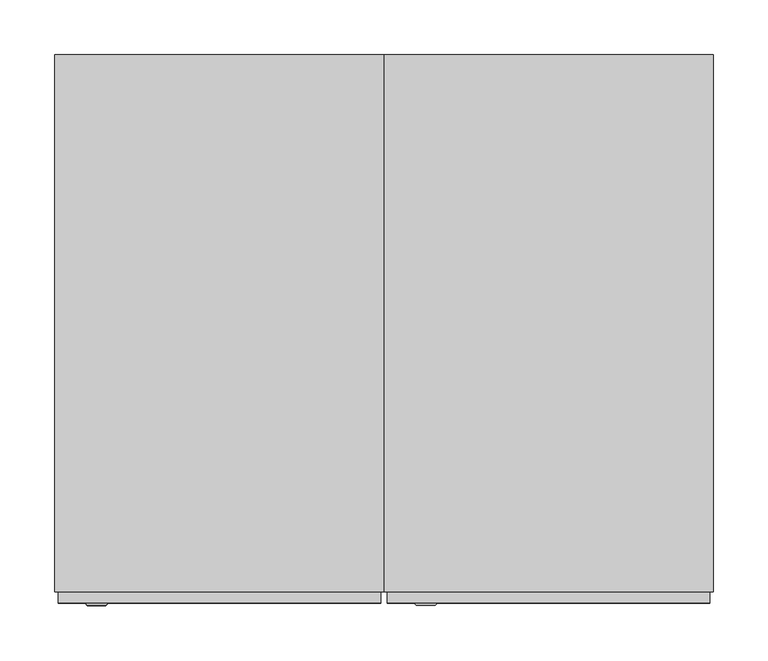
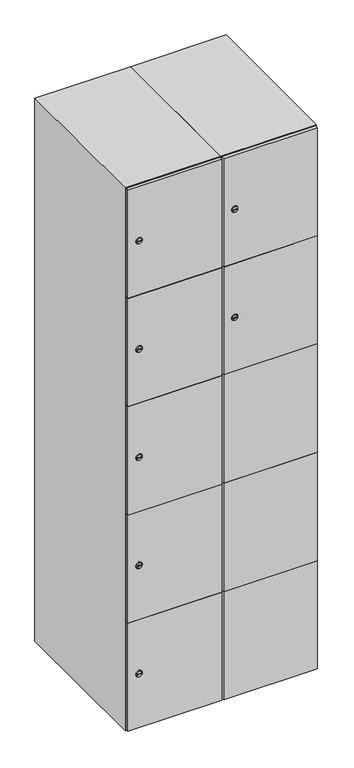
"""IFC4 building model written with IfcOpenShell, lengths in millimetres: furniture geometry."""

from ifc_helpers import new_model, si_unit, point, frame, frame_2d, origin, place, context, project, spatial, polyline, circle_curve, trimmed, segment, composite_curve, outline, extrude, faceted_brep, source, transform, mapped, element, save
from ifc_brep_helpers import plane_surface, revolved_surface, advanced_brep


def furniture_43d8c1ec(model_context):
    return source(origin(), model_context, "Body", "SolidModel", [
        advanced_brep(
        [(146.5, -257.2, 1358.8), (129.5, -257.2, 1358.8), (133.0, -257.2, 1357.55), (133.0, -257.2, 1360.05), (143.0, -257.2, 1360.05), (143.0, -257.2, 1357.55), (148.5, -255.0, 1358.8), (127.5, -255.0, 1358.8), (133.0, -255.0, 1360.05), (133.0, -255.0, 1357.55), (143.0, -255.0, 1357.55), (143.0, -255.0, 1360.05)],
        [
            (0, 1, circle_curve(frame((138.0, -257.2, 1358.8), z_axis=(0.0, -1.0, 0.0), x_axis=(1.0, 0.0, 0.0)), 8.5)),
            (1, 0, circle_curve(frame((138.0, -257.2, 1358.8), z_axis=(0.0, -1.0, 0.0), x_axis=(-1.0, 0.0, 0.0)), 8.5)),
            (2, 3),
            (3, 4),
            (4, 5),
            (5, 2),
            (6, 7, circle_curve(frame((138.0, -255.0, 1358.8), z_axis=(0.0, 1.0, 0.0), x_axis=(-1.0, 0.0, 0.0)), 10.5)),
            (7, 6, circle_curve(frame((138.0, -255.0, 1358.8), z_axis=(0.0, 1.0, 0.0), x_axis=(1.0, 0.0, 0.0)), 10.5)),
            (8, 9),
            (9, 10),
            (10, 11),
            (11, 8),
            (0, 6),
            (7, 1),
            (8, 3),
            (2, 9),
            (11, 4),
            (10, 5),
        ],
        [
            plane_surface(frame((138.0, -257.2, 1358.8), z_axis=(0.0, -1.0, 0.0), x_axis=(0.0, 0.0, 1.0))),
            plane_surface(frame((138.0, -255.0, 1358.8), z_axis=(0.0, 1.0, 0.0), x_axis=(0.0, 0.0, 1.0))),
            revolved_surface(polyline([(146.5, -257.2, 1358.8), (148.5, -255.0, 1358.8)]), (138.0, -266.55, 1358.8), (0.0, 1.0, 0.0)),
            revolved_surface(polyline([(129.5, -257.2, 1358.8), (127.5, -255.0, 1358.8)]), (138.0, -266.55, 1358.8), (0.0, 1.0, 0.0)),
            plane_surface(frame((133.0, -255.0, 1357.55), z_axis=(1.0, 0.0, 0.0), x_axis=(0.0, -1.0, 0.0))),
            plane_surface(frame((133.0, -255.0, 1360.05), z_axis=(0.0, 0.0, -1.0), x_axis=(0.0, -1.0, 0.0))),
            plane_surface(frame((143.0, -255.0, 1360.05), z_axis=(-1.0, 0.0, 0.0), x_axis=(0.0, -1.0, 0.0))),
            plane_surface(frame((143.0, -255.0, 1357.55), z_axis=(0.0, 0.0, 1.0), x_axis=(0.0, -1.0, 0.0))),
        ],
        [
            (0, [[1, 2], [3, 4, 5, 6]]),
            (1, [[7, 8], [9, 10, 11, 12]]),
            (2, [[-1, 13, -8, 14]]),
            (3, [[-2, -14, -7, -13]]),
            (4, [[15, -3, 16, -9]]),
            (5, [[-15, -12, 17, -4]]),
            (6, [[-17, -11, 18, -5]]),
            (7, [[-16, -6, -18, -10]]),
        ],
    ),
        extrude(outline(composite_curve([segment(trimmed(circle_curve(frame_2d((1717.6, 111.2010534)), 7.0), [point((1724.6, 111.2010534))], [point((1710.6, 111.2010534))], False, "CARTESIAN"), True, "CONTINUOUS"), segment(polyline([(1710.6, 111.2010534), (1710.6, 139.2010534)]), True, "CONTINUOUS"), segment(trimmed(circle_curve(frame_2d((1717.6, 139.2010534)), 7.0), [point((1710.6, 139.2010534))], [point((1724.6, 139.2010534))], False, "CARTESIAN"), True, "CONTINUOUS"), segment(polyline([(1724.6, 139.2010534), (1724.6, 111.2010534)]), True, "CONTINUOUS")], self_intersect=False)), frame((0.0, -245.0, 0.0), z_axis=(0.0, 1.0, 0.0), x_axis=(0.0, 0.0, 1.0)), (0.0, 0.0, 1.0), 2.0),
        advanced_brep(
        [(146.5, -257.2, 1717.6), (129.5, -257.2, 1717.6), (133.0, -257.2, 1716.35), (133.0, -257.2, 1718.85), (143.0, -257.2, 1718.85), (143.0, -257.2, 1716.35), (148.5, -255.0, 1717.6), (127.5, -255.0, 1717.6), (133.0, -255.0, 1718.85), (133.0, -255.0, 1716.35), (143.0, -255.0, 1716.35), (143.0, -255.0, 1718.85)],
        [
            (0, 1, circle_curve(frame((138.0, -257.2, 1717.6), z_axis=(0.0, -1.0, 0.0), x_axis=(1.0, 0.0, 0.0)), 8.5)),
            (1, 0, circle_curve(frame((138.0, -257.2, 1717.6), z_axis=(0.0, -1.0, 0.0), x_axis=(-1.0, 0.0, 0.0)), 8.5)),
            (2, 3),
            (3, 4),
            (4, 5),
            (5, 2),
            (6, 7, circle_curve(frame((138.0, -255.0, 1717.6), z_axis=(0.0, 1.0, 0.0), x_axis=(-1.0, 0.0, 0.0)), 10.5)),
            (7, 6, circle_curve(frame((138.0, -255.0, 1717.6), z_axis=(0.0, 1.0, 0.0), x_axis=(1.0, 0.0, 0.0)), 10.5)),
            (8, 9),
            (9, 10),
            (10, 11),
            (11, 8),
            (0, 6),
            (7, 1),
            (8, 3),
            (2, 9),
            (11, 4),
            (10, 5),
        ],
        [
            plane_surface(frame((138.0, -257.2, 1717.6), z_axis=(0.0, -1.0, 0.0), x_axis=(0.0, 0.0, 1.0))),
            plane_surface(frame((138.0, -255.0, 1717.6), z_axis=(0.0, 1.0, 0.0), x_axis=(0.0, 0.0, 1.0))),
            revolved_surface(polyline([(146.5, -257.2, 1717.6), (148.5, -255.0, 1717.6)]), (138.0, -266.55, 1717.6), (0.0, 1.0, 0.0)),
            revolved_surface(polyline([(129.5, -257.2, 1717.6), (127.5, -255.0, 1717.6)]), (138.0, -266.55, 1717.6), (0.0, 1.0, 0.0)),
            plane_surface(frame((133.0, -255.0, 1716.35), z_axis=(1.0, 0.0, 0.0), x_axis=(0.0, -1.0, 0.0))),
            plane_surface(frame((133.0, -255.0, 1718.85), z_axis=(0.0, 0.0, -1.0), x_axis=(0.0, -1.0, 0.0))),
            plane_surface(frame((143.0, -255.0, 1718.85), z_axis=(-1.0, 0.0, 0.0), x_axis=(0.0, -1.0, 0.0))),
            plane_surface(frame((143.0, -255.0, 1716.35), z_axis=(0.0, 0.0, 1.0), x_axis=(0.0, -1.0, 0.0))),
        ],
        [
            (0, [[1, 2], [3, 4, 5, 6]]),
            (1, [[7, 8], [9, 10, 11, 12]]),
            (2, [[-1, 13, -8, 14]]),
            (3, [[-2, -14, -7, -13]]),
            (4, [[15, -3, 16, -9]]),
            (5, [[-15, -12, 17, -4]]),
            (6, [[-17, -11, 18, -5]]),
            (7, [[-16, -6, -18, -10]]),
        ],
    ),
        extrude(outline(polyline([(397.0, -245.0), (397.0, -255.0), (103.0, -255.0), (103.0, -245.0), (397.0, -245.0)])), frame((0.0, 0.0, 820.1), z_axis=(0.0, 0.0, 1.0), x_axis=(1.0, 0.0, 0.0)), (0.0, 0.0, 1.0), 359.8),
        extrude(outline(polyline([(397.0, -245.0), (397.0, -255.0), (103.0, -255.0), (103.0, -245.0), (397.0, -245.0)])), frame((0.0, 0.0, 461.3), z_axis=(0.0, 0.0, 1.0), x_axis=(1.0, 0.0, 0.0)), (0.0, 0.0, 1.0), 359.8),
        extrude(outline(polyline([(397.0, -245.0), (397.0, -255.0), (103.0, -255.0), (103.0, -245.0), (397.0, -245.0)])), frame((0.0, 0.0, 1178.9), z_axis=(0.0, 0.0, 1.0), x_axis=(1.0, 0.0, 0.0)), (0.0, 0.0, 1.0), 358.8),
        extrude(outline(polyline([(103.0, -255.0), (103.0, -245.0), (397.0, -245.0), (397.0, -255.0), (103.0, -255.0)])), frame((0.0, 0.0, 1538.7), z_axis=(0.0, 0.0, 1.0), x_axis=(1.0, 0.0, 0.0)), (0.0, 0.0, 1.0), 358.3),
        extrude(outline(polyline([(397.0, -245.0), (397.0, -255.0), (103.0, -255.0), (103.0, -245.0), (397.0, -245.0)])), frame((0.0, 0.0, 103.0), z_axis=(0.0, 0.0, 1.0), x_axis=(1.0, 0.0, 0.0)), (0.0, 0.0, 1.0), 359.3),
        extrude(outline(polyline([(390.0, 241.0), (390.0, -235.0), (110.0, -235.0), (110.0, 241.0), (390.0, 241.0)])), frame((0.0, 0.0, 1529.0), z_axis=(0.0, 0.0, 1.0), x_axis=(1.0, 0.0, 0.0)), (0.0, 0.0, 1.0), 10.0),
        extrude(outline(polyline([(390.0, 241.0), (390.0, -235.0), (110.0, -235.0), (110.0, 241.0), (390.0, 241.0)])), frame((0.0, 0.0, 1173.0), z_axis=(0.0, 0.0, 1.0), x_axis=(1.0, 0.0, 0.0)), (0.0, 0.0, 1.0), 10.0),
        extrude(outline(polyline([(390.0, 241.0), (390.0, -235.0), (110.0, -235.0), (110.0, 241.0), (390.0, 241.0)])), frame((0.0, 0.0, 817.0), z_axis=(0.0, 0.0, 1.0), x_axis=(1.0, 0.0, 0.0)), (0.0, 0.0, 1.0), 10.0),
        extrude(outline(polyline([(110.0, 241.0), (390.0, 241.0), (390.0, -235.0), (110.0, -235.0), (110.0, 241.0)])), frame((0.0, 0.0, 461.0), z_axis=(0.0, 0.0, 1.0), x_axis=(1.0, 0.0, 0.0)), (0.0, 0.0, 1.0), 10.0),
        faceted_brep([(400.0, -245.0, 100.0), (400.0, -245.0, 1900.0), (100.0, -245.0, 1900.0), (100.0, -245.0, 100.0), (390.0, -245.0, 1890.0), (390.0, -245.0, 110.0), (110.0, -245.0, 110.0), (110.0, -245.0, 1890.0), (400.0, 245.0, 100.0), (100.0, 245.0, 100.0), (400.0, 245.0, 1900.0), (100.0, 245.0, 1900.0), (390.0, 241.0, 1890.0), (390.0, 241.0, 110.0), (100.0, 245.0, 1890.0), (110.0, 241.0, 1890.0), (110.0, 241.0, 110.0)], [[[0, 1, 2, 3], [4, 5, 6, 7]], [[8, 0, 3, 9]], [[1, 0, 8, 10]], [[1, 10, 11, 2]], [[4, 12, 13, 5]], [[9, 3, 2, 11, 14]], [[10, 8, 9, 14, 11]], [[12, 15, 16, 13]], [[15, 7, 6, 16]], [[4, 7, 15, 12]], [[6, 5, 13, 16]]]),
        extrude(outline(composite_curve([segment(trimmed(circle_curve(frame_2d((282.4, -188.7989466)), 7.0), [point((289.4, -188.7989466))], [point((275.4, -188.7989466))], False, "CARTESIAN"), True, "CONTINUOUS"), segment(polyline([(275.4, -188.7989466), (275.4, -160.7989466)]), True, "CONTINUOUS"), segment(trimmed(circle_curve(frame_2d((282.4, -160.7989466)), 7.0), [point((275.4, -160.7989466))], [point((289.4, -160.7989466))], False, "CARTESIAN"), True, "CONTINUOUS"), segment(polyline([(289.4, -160.7989466), (289.4, -188.7989466)]), True, "CONTINUOUS")], self_intersect=False)), frame((0.0, -245.0, 0.0), z_axis=(0.0, 1.0, 0.0), x_axis=(0.0, 0.0, 1.0)), (0.0, 0.0, 1.0), 2.0),
        advanced_brep(
        [(-153.5, -257.2, 282.4), (-170.5, -257.2, 282.4), (-167.0, -257.2, 281.15), (-167.0, -257.2, 283.65), (-157.0, -257.2, 283.65), (-157.0, -257.2, 281.15), (-151.5, -255.0, 282.4), (-172.5, -255.0, 282.4), (-167.0, -255.0, 283.65), (-167.0, -255.0, 281.15), (-157.0, -255.0, 281.15), (-157.0, -255.0, 283.65)],
        [
            (0, 1, circle_curve(frame((-162.0, -257.2, 282.4), z_axis=(0.0, -1.0, 0.0), x_axis=(1.0, 0.0, 0.0)), 8.5)),
            (1, 0, circle_curve(frame((-162.0, -257.2, 282.4), z_axis=(0.0, -1.0, 0.0), x_axis=(-1.0, 0.0, 0.0)), 8.5)),
            (2, 3),
            (3, 4),
            (4, 5),
            (5, 2),
            (6, 7, circle_curve(frame((-162.0, -255.0, 282.4), z_axis=(0.0, 1.0, 0.0), x_axis=(-1.0, 0.0, 0.0)), 10.5)),
            (7, 6, circle_curve(frame((-162.0, -255.0, 282.4), z_axis=(0.0, 1.0, 0.0), x_axis=(1.0, 0.0, 0.0)), 10.5)),
            (8, 9),
            (9, 10),
            (10, 11),
            (11, 8),
            (0, 6),
            (7, 1),
            (8, 3),
            (2, 9),
            (11, 4),
            (10, 5),
        ],
        [
            plane_surface(frame((-162.0, -257.2, 282.4), z_axis=(0.0, -1.0, 0.0), x_axis=(0.0, 0.0, 1.0))),
            plane_surface(frame((-162.0, -255.0, 282.4), z_axis=(0.0, 1.0, 0.0), x_axis=(0.0, 0.0, 1.0))),
            revolved_surface(polyline([(-153.5, -257.2, 282.4), (-151.5, -255.0, 282.4)]), (-162.0, -266.55, 282.4), (0.0, 1.0, 0.0)),
            revolved_surface(polyline([(-170.5, -257.2, 282.4), (-172.5, -255.0, 282.4)]), (-162.0, -266.55, 282.4), (0.0, 1.0, 0.0)),
            plane_surface(frame((-167.0, -255.0, 281.15), z_axis=(1.0, 0.0, 0.0), x_axis=(0.0, -1.0, 0.0))),
            plane_surface(frame((-167.0, -255.0, 283.65), z_axis=(0.0, 0.0, -1.0), x_axis=(0.0, -1.0, 0.0))),
            plane_surface(frame((-157.0, -255.0, 283.65), z_axis=(-1.0, 0.0, 0.0), x_axis=(0.0, -1.0, 0.0))),
            plane_surface(frame((-157.0, -255.0, 281.15), z_axis=(0.0, 0.0, 1.0), x_axis=(0.0, -1.0, 0.0))),
        ],
        [
            (0, [[1, 2], [3, 4, 5, 6]]),
            (1, [[7, 8], [9, 10, 11, 12]]),
            (2, [[-1, 13, -8, 14]]),
            (3, [[-2, -14, -7, -13]]),
            (4, [[15, -3, 16, -9]]),
            (5, [[-15, -12, 17, -4]]),
            (6, [[-17, -11, 18, -5]]),
            (7, [[-16, -6, -18, -10]]),
        ],
    ),
        extrude(outline(composite_curve([segment(trimmed(circle_curve(frame_2d((641.2, -188.7989466)), 7.0), [point((648.2, -188.7989466))], [point((634.2, -188.7989466))], False, "CARTESIAN"), True, "CONTINUOUS"), segment(polyline([(634.2, -188.7989466), (634.2, -160.7989466)]), True, "CONTINUOUS"), segment(trimmed(circle_curve(frame_2d((641.2, -160.7989466)), 7.0), [point((634.2, -160.7989466))], [point((648.2, -160.7989466))], False, "CARTESIAN"), True, "CONTINUOUS"), segment(polyline([(648.2, -160.7989466), (648.2, -188.7989466)]), True, "CONTINUOUS")], self_intersect=False)), frame((0.0, -245.0, 0.0), z_axis=(0.0, 1.0, 0.0), x_axis=(0.0, 0.0, 1.0)), (0.0, 0.0, 1.0), 2.0),
        advanced_brep(
        [(-153.5, -257.2, 641.2), (-170.5, -257.2, 641.2), (-167.0, -257.2, 639.95), (-167.0, -257.2, 642.45), (-157.0, -257.2, 642.45), (-157.0, -257.2, 639.95), (-151.5, -255.0, 641.2), (-172.5, -255.0, 641.2), (-167.0, -255.0, 642.45), (-167.0, -255.0, 639.95), (-157.0, -255.0, 639.95), (-157.0, -255.0, 642.45)],
        [
            (0, 1, circle_curve(frame((-162.0, -257.2, 641.2), z_axis=(0.0, -1.0, 0.0), x_axis=(1.0, 0.0, 0.0)), 8.5)),
            (1, 0, circle_curve(frame((-162.0, -257.2, 641.2), z_axis=(0.0, -1.0, 0.0), x_axis=(-1.0, 0.0, 0.0)), 8.5)),
            (2, 3),
            (3, 4),
            (4, 5),
            (5, 2),
            (6, 7, circle_curve(frame((-162.0, -255.0, 641.2), z_axis=(0.0, 1.0, 0.0), x_axis=(-1.0, 0.0, 0.0)), 10.5)),
            (7, 6, circle_curve(frame((-162.0, -255.0, 641.2), z_axis=(0.0, 1.0, 0.0), x_axis=(1.0, 0.0, 0.0)), 10.5)),
            (8, 9),
            (9, 10),
            (10, 11),
            (11, 8),
            (0, 6),
            (7, 1),
            (8, 3),
            (2, 9),
            (11, 4),
            (10, 5),
        ],
        [
            plane_surface(frame((-162.0, -257.2, 641.2), z_axis=(0.0, -1.0, 0.0), x_axis=(0.0, 0.0, 1.0))),
            plane_surface(frame((-162.0, -255.0, 641.2), z_axis=(0.0, 1.0, 0.0), x_axis=(0.0, 0.0, 1.0))),
            revolved_surface(polyline([(-153.5, -257.2, 641.2), (-151.5, -255.0, 641.2)]), (-162.0, -266.55, 641.2), (0.0, 1.0, 0.0)),
            revolved_surface(polyline([(-170.5, -257.2, 641.2), (-172.5, -255.0, 641.2)]), (-162.0, -266.55, 641.2), (0.0, 1.0, 0.0)),
            plane_surface(frame((-167.0, -255.0, 639.95), z_axis=(1.0, 0.0, 0.0), x_axis=(0.0, -1.0, 0.0))),
            plane_surface(frame((-167.0, -255.0, 642.45), z_axis=(0.0, 0.0, -1.0), x_axis=(0.0, -1.0, 0.0))),
            plane_surface(frame((-157.0, -255.0, 642.45), z_axis=(-1.0, 0.0, 0.0), x_axis=(0.0, -1.0, 0.0))),
            plane_surface(frame((-157.0, -255.0, 639.95), z_axis=(0.0, 0.0, 1.0), x_axis=(0.0, -1.0, 0.0))),
        ],
        [
            (0, [[1, 2], [3, 4, 5, 6]]),
            (1, [[7, 8], [9, 10, 11, 12]]),
            (2, [[-1, 13, -8, 14]]),
            (3, [[-2, -14, -7, -13]]),
            (4, [[15, -3, 16, -9]]),
            (5, [[-15, -12, 17, -4]]),
            (6, [[-17, -11, 18, -5]]),
            (7, [[-16, -6, -18, -10]]),
        ],
    ),
        extrude(outline(composite_curve([segment(trimmed(circle_curve(frame_2d((1000.0, -188.7989466)), 7.0), [point((1007.0, -188.7989466))], [point((993.0, -188.7989466))], False, "CARTESIAN"), True, "CONTINUOUS"), segment(polyline([(993.0, -188.7989466), (993.0, -160.7989466)]), True, "CONTINUOUS"), segment(trimmed(circle_curve(frame_2d((1000.0, -160.7989466)), 7.0), [point((993.0, -160.7989466))], [point((1007.0, -160.7989466))], False, "CARTESIAN"), True, "CONTINUOUS"), segment(polyline([(1007.0, -160.7989466), (1007.0, -188.7989466)]), True, "CONTINUOUS")], self_intersect=False)), frame((0.0, -245.0, 0.0), z_axis=(0.0, 1.0, 0.0), x_axis=(0.0, 0.0, 1.0)), (0.0, 0.0, 1.0), 2.0),
        advanced_brep(
        [(-153.5, -257.2, 1000.0), (-170.5, -257.2, 1000.0), (-167.0, -257.2, 998.75), (-167.0, -257.2, 1001.25), (-157.0, -257.2, 1001.25), (-157.0, -257.2, 998.75), (-151.5, -255.0, 1000.0), (-172.5, -255.0, 1000.0), (-167.0, -255.0, 1001.25), (-167.0, -255.0, 998.75), (-157.0, -255.0, 998.75), (-157.0, -255.0, 1001.25)],
        [
            (0, 1, circle_curve(frame((-162.0, -257.2, 1000.0), z_axis=(0.0, -1.0, 0.0), x_axis=(1.0, 0.0, 0.0)), 8.5)),
            (1, 0, circle_curve(frame((-162.0, -257.2, 1000.0), z_axis=(0.0, -1.0, 0.0), x_axis=(-1.0, 0.0, 0.0)), 8.5)),
            (2, 3),
            (3, 4),
            (4, 5),
            (5, 2),
            (6, 7, circle_curve(frame((-162.0, -255.0, 1000.0), z_axis=(0.0, 1.0, 0.0), x_axis=(-1.0, 0.0, 0.0)), 10.5)),
            (7, 6, circle_curve(frame((-162.0, -255.0, 1000.0), z_axis=(0.0, 1.0, 0.0), x_axis=(1.0, 0.0, 0.0)), 10.5)),
            (8, 9),
            (9, 10),
            (10, 11),
            (11, 8),
            (0, 6),
            (7, 1),
            (8, 3),
            (2, 9),
            (11, 4),
            (10, 5),
        ],
        [
            plane_surface(frame((-162.0, -257.2, 1000.0), z_axis=(0.0, -1.0, 0.0), x_axis=(0.0, 0.0, 1.0))),
            plane_surface(frame((-162.0, -255.0, 1000.0), z_axis=(0.0, 1.0, 0.0), x_axis=(0.0, 0.0, 1.0))),
            revolved_surface(polyline([(-153.5, -257.2, 1000.0), (-151.5, -255.0, 1000.0)]), (-162.0, -266.55, 1000.0), (0.0, 1.0, 0.0)),
            revolved_surface(polyline([(-170.5, -257.2, 1000.0), (-172.5, -255.0, 1000.0)]), (-162.0, -266.55, 1000.0), (0.0, 1.0, 0.0)),
            plane_surface(frame((-167.0, -255.0, 998.75), z_axis=(1.0, 0.0, 0.0), x_axis=(0.0, -1.0, 0.0))),
            plane_surface(frame((-167.0, -255.0, 1001.25), z_axis=(0.0, 0.0, -1.0), x_axis=(0.0, -1.0, 0.0))),
            plane_surface(frame((-157.0, -255.0, 1001.25), z_axis=(-1.0, 0.0, 0.0), x_axis=(0.0, -1.0, 0.0))),
            plane_surface(frame((-157.0, -255.0, 998.75), z_axis=(0.0, 0.0, 1.0), x_axis=(0.0, -1.0, 0.0))),
        ],
        [
            (0, [[1, 2], [3, 4, 5, 6]]),
            (1, [[7, 8], [9, 10, 11, 12]]),
            (2, [[-1, 13, -8, 14]]),
            (3, [[-2, -14, -7, -13]]),
            (4, [[15, -3, 16, -9]]),
            (5, [[-15, -12, 17, -4]]),
            (6, [[-17, -11, 18, -5]]),
            (7, [[-16, -6, -18, -10]]),
        ],
    ),
        extrude(outline(composite_curve([segment(trimmed(circle_curve(frame_2d((1358.8, -188.7989466)), 7.0), [point((1365.8, -188.7989466))], [point((1351.8, -188.7989466))], False, "CARTESIAN"), True, "CONTINUOUS"), segment(polyline([(1351.8, -188.7989466), (1351.8, -160.7989466)]), True, "CONTINUOUS"), segment(trimmed(circle_curve(frame_2d((1358.8, -160.7989466)), 7.0), [point((1351.8, -160.7989466))], [point((1365.8, -160.7989466))], False, "CARTESIAN"), True, "CONTINUOUS"), segment(polyline([(1365.8, -160.7989466), (1365.8, -188.7989466)]), True, "CONTINUOUS")], self_intersect=False)), frame((0.0, -245.0, 0.0), z_axis=(0.0, 1.0, 0.0), x_axis=(0.0, 0.0, 1.0)), (0.0, 0.0, 1.0), 2.0),
        advanced_brep(
        [(-153.5, -257.2, 1358.8), (-170.5, -257.2, 1358.8), (-167.0, -257.2, 1357.55), (-167.0, -257.2, 1360.05), (-157.0, -257.2, 1360.05), (-157.0, -257.2, 1357.55), (-151.5, -255.0, 1358.8), (-172.5, -255.0, 1358.8), (-167.0, -255.0, 1360.05), (-167.0, -255.0, 1357.55), (-157.0, -255.0, 1357.55), (-157.0, -255.0, 1360.05)],
        [
            (0, 1, circle_curve(frame((-162.0, -257.2, 1358.8), z_axis=(0.0, -1.0, 0.0), x_axis=(1.0, 0.0, 0.0)), 8.5)),
            (1, 0, circle_curve(frame((-162.0, -257.2, 1358.8), z_axis=(0.0, -1.0, 0.0), x_axis=(-1.0, 0.0, 0.0)), 8.5)),
            (2, 3),
            (3, 4),
            (4, 5),
            (5, 2),
            (6, 7, circle_curve(frame((-162.0, -255.0, 1358.8), z_axis=(0.0, 1.0, 0.0), x_axis=(-1.0, 0.0, 0.0)), 10.5)),
            (7, 6, circle_curve(frame((-162.0, -255.0, 1358.8), z_axis=(0.0, 1.0, 0.0), x_axis=(1.0, 0.0, 0.0)), 10.5)),
            (8, 9),
            (9, 10),
            (10, 11),
            (11, 8),
            (0, 6),
            (7, 1),
            (8, 3),
            (2, 9),
            (11, 4),
            (10, 5),
        ],
        [
            plane_surface(frame((-162.0, -257.2, 1358.8), z_axis=(0.0, -1.0, 0.0), x_axis=(0.0, 0.0, 1.0))),
            plane_surface(frame((-162.0, -255.0, 1358.8), z_axis=(0.0, 1.0, 0.0), x_axis=(0.0, 0.0, 1.0))),
            revolved_surface(polyline([(-153.5, -257.2, 1358.8), (-151.5, -255.0, 1358.8)]), (-162.0, -266.55, 1358.8), (0.0, 1.0, 0.0)),
            revolved_surface(polyline([(-170.5, -257.2, 1358.8), (-172.5, -255.0, 1358.8)]), (-162.0, -266.55, 1358.8), (0.0, 1.0, 0.0)),
            plane_surface(frame((-167.0, -255.0, 1357.55), z_axis=(1.0, 0.0, 0.0), x_axis=(0.0, -1.0, 0.0))),
            plane_surface(frame((-167.0, -255.0, 1360.05), z_axis=(0.0, 0.0, -1.0), x_axis=(0.0, -1.0, 0.0))),
            plane_surface(frame((-157.0, -255.0, 1360.05), z_axis=(-1.0, 0.0, 0.0), x_axis=(0.0, -1.0, 0.0))),
            plane_surface(frame((-157.0, -255.0, 1357.55), z_axis=(0.0, 0.0, 1.0), x_axis=(0.0, -1.0, 0.0))),
        ],
        [
            (0, [[1, 2], [3, 4, 5, 6]]),
            (1, [[7, 8], [9, 10, 11, 12]]),
            (2, [[-1, 13, -8, 14]]),
            (3, [[-2, -14, -7, -13]]),
            (4, [[15, -3, 16, -9]]),
            (5, [[-15, -12, 17, -4]]),
            (6, [[-17, -11, 18, -5]]),
            (7, [[-16, -6, -18, -10]]),
        ],
    ),
        extrude(outline(composite_curve([segment(trimmed(circle_curve(frame_2d((1717.6, -188.7989466)), 7.0), [point((1724.6, -188.7989466))], [point((1710.6, -188.7989466))], False, "CARTESIAN"), True, "CONTINUOUS"), segment(polyline([(1710.6, -188.7989466), (1710.6, -160.7989466)]), True, "CONTINUOUS"), segment(trimmed(circle_curve(frame_2d((1717.6, -160.7989466)), 7.0), [point((1710.6, -160.7989466))], [point((1724.6, -160.7989466))], False, "CARTESIAN"), True, "CONTINUOUS"), segment(polyline([(1724.6, -160.7989466), (1724.6, -188.7989466)]), True, "CONTINUOUS")], self_intersect=False)), frame((0.0, -245.0, 0.0), z_axis=(0.0, 1.0, 0.0), x_axis=(0.0, 0.0, 1.0)), (0.0, 0.0, 1.0), 2.0),
        advanced_brep(
        [(-153.5, -257.2, 1717.6), (-170.5, -257.2, 1717.6), (-167.0, -257.2, 1716.35), (-167.0, -257.2, 1718.85), (-157.0, -257.2, 1718.85), (-157.0, -257.2, 1716.35), (-151.5, -255.0, 1717.6), (-172.5, -255.0, 1717.6), (-167.0, -255.0, 1718.85), (-167.0, -255.0, 1716.35), (-157.0, -255.0, 1716.35), (-157.0, -255.0, 1718.85)],
        [
            (0, 1, circle_curve(frame((-162.0, -257.2, 1717.6), z_axis=(0.0, -1.0, 0.0), x_axis=(1.0, 0.0, 0.0)), 8.5)),
            (1, 0, circle_curve(frame((-162.0, -257.2, 1717.6), z_axis=(0.0, -1.0, 0.0), x_axis=(-1.0, 0.0, 0.0)), 8.5)),
            (2, 3),
            (3, 4),
            (4, 5),
            (5, 2),
            (6, 7, circle_curve(frame((-162.0, -255.0, 1717.6), z_axis=(0.0, 1.0, 0.0), x_axis=(-1.0, 0.0, 0.0)), 10.5)),
            (7, 6, circle_curve(frame((-162.0, -255.0, 1717.6), z_axis=(0.0, 1.0, 0.0), x_axis=(1.0, 0.0, 0.0)), 10.5)),
            (8, 9),
            (9, 10),
            (10, 11),
            (11, 8),
            (0, 6),
            (7, 1),
            (8, 3),
            (2, 9),
            (11, 4),
            (10, 5),
        ],
        [
            plane_surface(frame((-162.0, -257.2, 1717.6), z_axis=(0.0, -1.0, 0.0), x_axis=(0.0, 0.0, 1.0))),
            plane_surface(frame((-162.0, -255.0, 1717.6), z_axis=(0.0, 1.0, 0.0), x_axis=(0.0, 0.0, 1.0))),
            revolved_surface(polyline([(-153.5, -257.2, 1717.6), (-151.5, -255.0, 1717.6)]), (-162.0, -266.55, 1717.6), (0.0, 1.0, 0.0)),
            revolved_surface(polyline([(-170.5, -257.2, 1717.6), (-172.5, -255.0, 1717.6)]), (-162.0, -266.55, 1717.6), (0.0, 1.0, 0.0)),
            plane_surface(frame((-167.0, -255.0, 1716.35), z_axis=(1.0, 0.0, 0.0), x_axis=(0.0, -1.0, 0.0))),
            plane_surface(frame((-167.0, -255.0, 1718.85), z_axis=(0.0, 0.0, -1.0), x_axis=(0.0, -1.0, 0.0))),
            plane_surface(frame((-157.0, -255.0, 1718.85), z_axis=(-1.0, 0.0, 0.0), x_axis=(0.0, -1.0, 0.0))),
            plane_surface(frame((-157.0, -255.0, 1716.35), z_axis=(0.0, 0.0, 1.0), x_axis=(0.0, -1.0, 0.0))),
        ],
        [
            (0, [[1, 2], [3, 4, 5, 6]]),
            (1, [[7, 8], [9, 10, 11, 12]]),
            (2, [[-1, 13, -8, 14]]),
            (3, [[-2, -14, -7, -13]]),
            (4, [[15, -3, 16, -9]]),
            (5, [[-15, -12, 17, -4]]),
            (6, [[-17, -11, 18, -5]]),
            (7, [[-16, -6, -18, -10]]),
        ],
    ),
        extrude(outline(polyline([(97.0, -245.0), (97.0, -255.0), (-197.0, -255.0), (-197.0, -245.0), (97.0, -245.0)])), frame((0.0, 0.0, 820.1), z_axis=(0.0, 0.0, 1.0), x_axis=(1.0, 0.0, 0.0)), (0.0, 0.0, 1.0), 359.8),
        extrude(outline(polyline([(97.0, -245.0), (97.0, -255.0), (-197.0, -255.0), (-197.0, -245.0), (97.0, -245.0)])), frame((0.0, 0.0, 461.3), z_axis=(0.0, 0.0, 1.0), x_axis=(1.0, 0.0, 0.0)), (0.0, 0.0, 1.0), 359.8),
        extrude(outline(polyline([(97.0, -245.0), (97.0, -255.0), (-197.0, -255.0), (-197.0, -245.0), (97.0, -245.0)])), frame((0.0, 0.0, 1178.9), z_axis=(0.0, 0.0, 1.0), x_axis=(1.0, 0.0, 0.0)), (0.0, 0.0, 1.0), 358.8),
        extrude(outline(polyline([(-197.0, -255.0), (-197.0, -245.0), (97.0, -245.0), (97.0, -255.0), (-197.0, -255.0)])), frame((0.0, 0.0, 1538.7), z_axis=(0.0, 0.0, 1.0), x_axis=(1.0, 0.0, 0.0)), (0.0, 0.0, 1.0), 358.3),
        extrude(outline(polyline([(97.0, -245.0), (97.0, -255.0), (-197.0, -255.0), (-197.0, -245.0), (97.0, -245.0)])), frame((0.0, 0.0, 103.0), z_axis=(0.0, 0.0, 1.0), x_axis=(1.0, 0.0, 0.0)), (0.0, 0.0, 1.0), 359.3),
        extrude(outline(polyline([(90.0, 241.0), (90.0, -235.0), (-190.0, -235.0), (-190.0, 241.0), (90.0, 241.0)])), frame((0.0, 0.0, 1529.0), z_axis=(0.0, 0.0, 1.0), x_axis=(1.0, 0.0, 0.0)), (0.0, 0.0, 1.0), 10.0),
        extrude(outline(polyline([(90.0, 241.0), (90.0, -235.0), (-190.0, -235.0), (-190.0, 241.0), (90.0, 241.0)])), frame((0.0, 0.0, 1173.0), z_axis=(0.0, 0.0, 1.0), x_axis=(1.0, 0.0, 0.0)), (0.0, 0.0, 1.0), 10.0),
        extrude(outline(polyline([(90.0, 241.0), (90.0, -235.0), (-190.0, -235.0), (-190.0, 241.0), (90.0, 241.0)])), frame((0.0, 0.0, 817.0), z_axis=(0.0, 0.0, 1.0), x_axis=(1.0, 0.0, 0.0)), (0.0, 0.0, 1.0), 10.0),
        extrude(outline(polyline([(-190.0, 241.0), (90.0, 241.0), (90.0, -235.0), (-190.0, -235.0), (-190.0, 241.0)])), frame((0.0, 0.0, 461.0), z_axis=(0.0, 0.0, 1.0), x_axis=(1.0, 0.0, 0.0)), (0.0, 0.0, 1.0), 10.0),
        faceted_brep([(100.0, -245.0, 100.0), (100.0, -245.0, 1900.0), (-200.0, -245.0, 1900.0), (-200.0, -245.0, 100.0), (90.0, -245.0, 1890.0), (90.0, -245.0, 110.0), (-190.0, -245.0, 110.0), (-190.0, -245.0, 1890.0), (100.0, 245.0, 100.0), (-200.0, 245.0, 100.0), (100.0, 245.0, 1900.0), (-200.0, 245.0, 1900.0), (90.0, 241.0, 1890.0), (90.0, 241.0, 110.0), (-200.0, 245.0, 1890.0), (-190.0, 241.0, 1890.0), (-190.0, 241.0, 110.0)], [[[0, 1, 2, 3], [4, 5, 6, 7]], [[8, 0, 3, 9]], [[1, 0, 8, 10]], [[1, 10, 11, 2]], [[4, 12, 13, 5]], [[9, 3, 2, 11, 14]], [[10, 8, 9, 14, 11]], [[12, 15, 16, 13]], [[15, 7, 6, 16]], [[4, 7, 15, 12]], [[6, 5, 13, 16]]]),
    ])


if __name__ == "__main__":
    model = new_model("IFC4")
    model_context = context("Model", 3, world=origin())
    ifc_project = project(units=[si_unit("LENGTHUNIT", "METRE", prefix="MILLI")], contexts=[model_context])
    site = spatial("IfcSite", under=ifc_project)
    building = spatial("IfcBuilding", under=site)
    placement = place(None, origin())
    furniture_shape = furniture_43d8c1ec(model_context)
    element("IfcFurniture", 1, at=placement, inside=building, context=model_context, shape_type="MappedRepresentation", body=[
        mapped(furniture_shape, transform((0.0, 0.0, 0.0), x_axis=(1.0, 0.0, 0.0), y_axis=(0.0, 1.0, 0.0), z_axis=(0.0, 0.0, 1.0))),
    ])
    save(model, "model.ifc")
